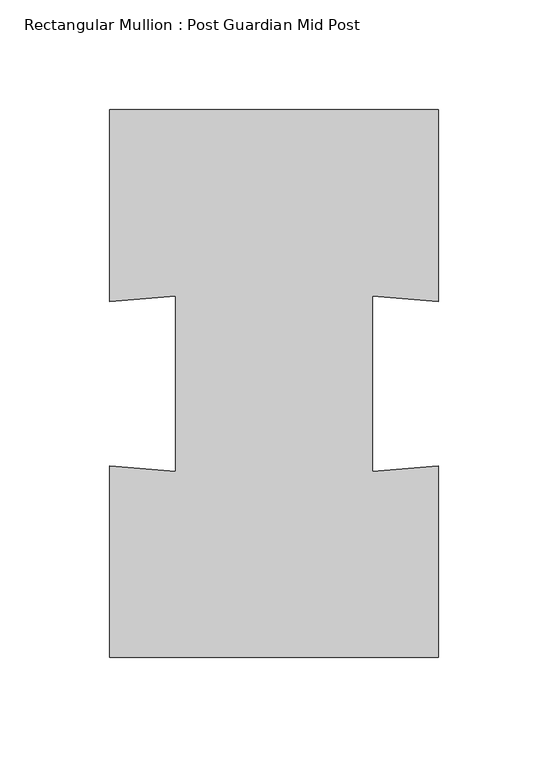
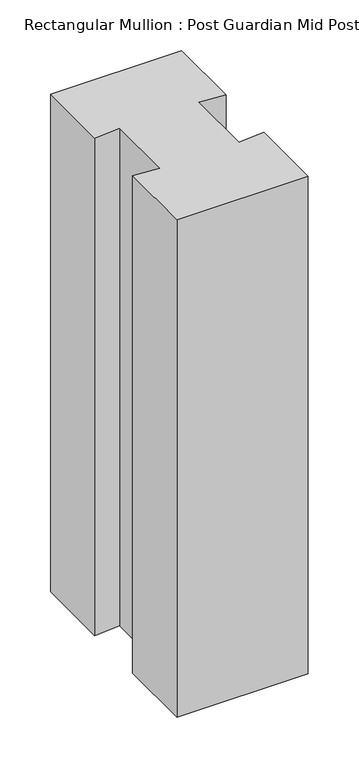
"""IFC4 building model written with IfcOpenShell, lengths in millimetres: member geometry, Rectangular Mullion : Post Guardian Mid Post."""

from ifc_helpers import new_model, si_unit, frame, origin, place, context, project, spatial, polyline, outline, extrude, source, transform, mapped, element, save


def rectangular_mullion_post_guardian_mid_post_c2813220(model_context):
    return source(origin(), model_context, "Body", "SweptSolid", [
        extrude(outline(polyline([(-74.907, 124.845), (74.907, 124.845), (74.907, 37.4535), (44.9442, 39.9504), (44.9442, -39.9504), (74.907, -37.4535), (74.907, -124.845), (-74.907, -124.845), (-74.907, -37.4535), (-44.9442, -39.9504), (-44.9442, 39.9504), (-74.907, 37.4535), (-74.907, 124.845)])), frame((0.0, 0.0, -600.0), z_axis=(0.0, 0.0, 1.0), x_axis=(1.0, 0.0, 0.0)), (0.0, 0.0, 1.0), 600.0),
    ])


if __name__ == "__main__":
    model = new_model("IFC4")
    model_context = context("Model", 3, world=origin())
    ifc_project = project(units=[si_unit("LENGTHUNIT", "METRE", prefix="MILLI")], contexts=[model_context])
    site = spatial("IfcSite", under=ifc_project)
    building = spatial("IfcBuilding", under=site)
    placement = place(None, origin())
    rectangular_mullion_post_guardian_mid_post_shape = rectangular_mullion_post_guardian_mid_post_c2813220(model_context)
    element("IfcMember", 1, ObjectType="Rectangular Mullion : Post Guardian Mid Post", at=placement, inside=building, context=model_context, shape_type="MappedRepresentation", body=[
        mapped(rectangular_mullion_post_guardian_mid_post_shape, transform((0.0, 0.0, 0.0), x_axis=(1.0, 0.0, 0.0), y_axis=(0.0, 1.0, 0.0), z_axis=(0.0, 0.0, 1.0))),
    ])
    save(model, "model.ifc")
